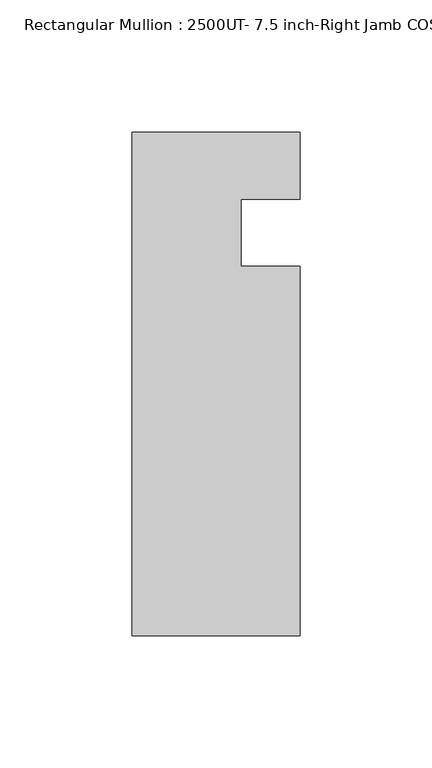
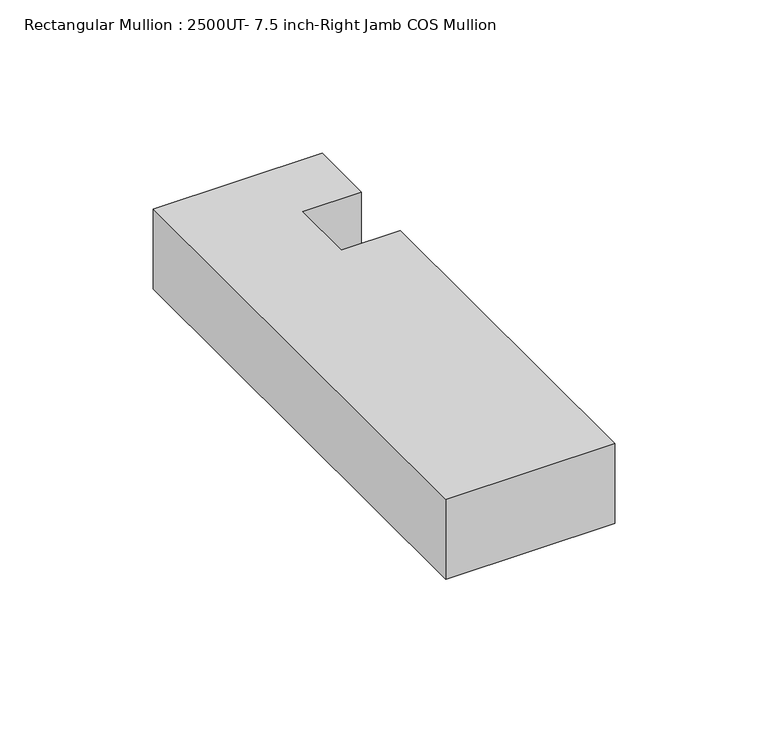
"""IFC4 building model written with IfcOpenShell, lengths in millimetres: member geometry, Rectangular Mullion : 2500UT- 7.5 inch-Right Jamb COS Mullion."""

import ifcopenshell
import ifcopenshell.guid

model = None  # the IFC model being written
_history = None  # IfcOwnerHistory: only IFC2X3 demands one
_inside = {}  # id of a spatial element -> (the spatial element, [elements in it])
_under = {}  # id of a project, library or spatial element -> (it, [spatial elements below it])
_declared = {}  # id of a project -> (the project, [libraries it declares])
_typed = {}  # id of a type object -> (the type object, [elements of that type])
_made_of = {}  # id of a material, layer set ... -> (it, [elements and type objects made of it])


def new_model(schema):
    """Start an empty IFC model of exactly this schema.

    Asked for "IFC4X3", IfcOpenShell would pick the latest addendum, in which some entities
    have other attributes; the version numbers below select the first issue.
    IFC2X3 requires an IfcOwnerHistory on every rooted entity: one is made here for all.
    """
    global model, _history
    if schema == "IFC4X3":
        model = ifcopenshell.file(schema_version=(4, 3, 0, 0))
    else:
        model = ifcopenshell.file(schema=schema)
    _inside.clear()
    _under.clear()
    _declared.clear()
    _typed.clear()
    _made_of.clear()
    _history = None
    if model.schema == "IFC2X3":
        org = make("IfcOrganization", Name="unknown")
        user = make(
            "IfcPersonAndOrganization",
            ThePerson=make("IfcPerson", FamilyName="unknown"),
            TheOrganization=org,
        )
        app = make(
            "IfcApplication",
            ApplicationDeveloper=org,
            Version="unknown",
            ApplicationFullName="unknown",
            ApplicationIdentifier="unknown",
        )
        _history = make(
            "IfcOwnerHistory",
            OwningUser=user,
            OwningApplication=app,
            ChangeAction="ADDED",
            CreationDate=0,
        )
    return model


def make(cls, **values):
    """One entity of the class cls with the attributes given. An attribute that is None is left unset."""
    return model.create_entity(
        cls, **{name: value for name, value in values.items() if value is not None}
    )


def rooted(cls, **values):
    """An entity with a GlobalId (a new one), such as an element, a storey or a relation."""
    return make(cls, GlobalId=ifcopenshell.guid.new(), OwnerHistory=_history, **values)


def si_unit(unit_type, name, prefix=None):
    """IfcSIUnit, for example si_unit("LENGTHUNIT", "METRE", prefix="MILLI")."""
    return make("IfcSIUnit", UnitType=unit_type, Prefix=prefix, Name=name)


def assignment(units):
    """IfcUnitAssignment: the units of a project."""
    return None if units is None else make("IfcUnitAssignment", Units=units)


def point(xyz):
    """IfcCartesianPoint."""
    return None if xyz is None else make("IfcCartesianPoint", Coordinates=xyz)


def direction(xyz):
    """IfcDirection."""
    return None if xyz is None else make("IfcDirection", DirectionRatios=xyz)


def frame(location, z_axis=None, x_axis=None):
    """IfcAxis2Placement3D, a coordinate frame: its origin and axes. An axis left out is left unset."""
    return make(
        "IfcAxis2Placement3D",
        Location=point(location),
        Axis=direction(z_axis),
        RefDirection=direction(x_axis),
    )


def origin():
    """The frame at (0, 0, 0) with its axes left unset."""
    return frame((0.0, 0.0, 0.0))


def place(relative_to, where):
    """IfcLocalPlacement: puts the frame where relative to a parent placement (None: the world)."""
    return make(
        "IfcLocalPlacement", PlacementRelTo=relative_to, RelativePlacement=where
    )


def context(
    kind, dimensions, precision=None, world=None, true_north=None, identifier=None
):
    """IfcGeometricRepresentationContext, for example the 3D "Model" context."""
    return make(
        "IfcGeometricRepresentationContext",
        ContextIdentifier=identifier,
        ContextType=kind,
        CoordinateSpaceDimension=dimensions,
        Precision=precision,
        WorldCoordinateSystem=world,
        TrueNorth=true_north,
    )


def project(units=None, contexts=None):
    """IfcProject with its units and contexts."""
    return rooted(
        "IfcProject",
        Name="project",
        RepresentationContexts=contexts,
        UnitsInContext=assignment(units),
    )


def spatial(cls, under=None, at=None, **own):
    """A site, building, storey or space (cls), placed at a placement, below another one or the project."""
    s = rooted(cls, ObjectPlacement=at, **own)
    if under is not None:
        _under.setdefault(under.id(), (under, []))[1].append(s)
    return s


def polyline(points):
    """IfcPolyline through the points."""
    return make("IfcPolyline", Points=[point(p) for p in points])


def outline(outer, holes=None, kind="AREA"):
    """IfcArbitraryClosedProfileDef: a profile drawn as a closed curve; with holes, ...WithVoids."""
    if holes is None:
        return make("IfcArbitraryClosedProfileDef", ProfileType=kind, OuterCurve=outer)
    return make(
        "IfcArbitraryProfileDefWithVoids",
        ProfileType=kind,
        OuterCurve=outer,
        InnerCurves=holes,
    )


def extrude(swept, where, along, depth):
    """IfcExtrudedAreaSolid: the profile swept, set in the frame where, extruded along a direction by depth."""
    return make(
        "IfcExtrudedAreaSolid",
        SweptArea=swept,
        Position=where,
        ExtrudedDirection=direction(along),
        Depth=depth,
    )


def shape(context_of_items, identifier, shape_type, items):
    """IfcShapeRepresentation: the items that make up one representation, for example the "Body"."""
    return make(
        "IfcShapeRepresentation",
        ContextOfItems=context_of_items,
        RepresentationIdentifier=identifier,
        RepresentationType=shape_type,
        Items=items,
    )


def source(mapping_origin, context_of_items, identifier, shape_type, items):
    """IfcRepresentationMap: a shape defined once, which mapped items show again and again."""
    return make(
        "IfcRepresentationMap",
        MappingOrigin=mapping_origin,
        MappedRepresentation=shape(context_of_items, identifier, shape_type, items),
    )


def transform(
    local_origin,
    x_axis=None,
    y_axis=None,
    z_axis=None,
    scale=None,
    scale2=None,
    scale3=None,
    uniform=True,
):
    """IfcCartesianTransformationOperator3D, or its non-uniform kind. x_axis, y_axis, z_axis: its Axis1, 2, 3."""
    if uniform:
        return make(
            "IfcCartesianTransformationOperator3D",
            Axis1=direction(x_axis),
            Axis2=direction(y_axis),
            LocalOrigin=point(local_origin),
            Scale=scale,
            Axis3=direction(z_axis),
        )
    return make(
        "IfcCartesianTransformationOperator3DnonUniform",
        Axis1=direction(x_axis),
        Axis2=direction(y_axis),
        LocalOrigin=point(local_origin),
        Scale=scale,
        Axis3=direction(z_axis),
        Scale2=scale2,
        Scale3=scale3,
    )


def mapped(mapping_source, mapping_target):
    """IfcMappedItem: shows the shape of a source again, moved by a transform."""
    return make(
        "IfcMappedItem", MappingSource=mapping_source, MappingTarget=mapping_target
    )


def made_of(thing, what):
    """Note that an element or type object is made of a material, layer set ...; save() writes the relation."""
    if what is not None:
        _made_of.setdefault(what.id(), (what, []))[1].append(thing)
    return thing


def element(
    cls,
    number,
    at=None,
    inside=None,
    cuts=None,
    type_object=None,
    material=None,
    context=None,
    identifier="Body",
    shape_type=None,
    held_by="IfcProductDefinitionShape",
    body=None,
    shapes=None,
    **own,
):
    """One element of the class cls, such as IfcWall. Its Tag is "e" and its number.

    at: its placement. inside: the storey or other place that contains it. cuts: it is an
    opening in that element (IfcRelVoidsElement). A single representation is given by context,
    identifier, shape_type and body (its items); several are given by shapes. held_by: the class
    of the entity that holds the representations. save() writes the other relations.
    """
    e = rooted(cls, Tag="e%d" % number, ObjectPlacement=at, **own)
    if body is not None:
        shapes = [shape(context, identifier, shape_type, body)]
    if shapes is not None:
        e.Representation = make(held_by, Representations=shapes)
    if inside is not None:
        _inside.setdefault(inside.id(), (inside, []))[1].append(e)
    if cuts is not None:
        rooted(
            "IfcRelVoidsElement", RelatingBuildingElement=cuts, RelatedOpeningElement=e
        )
    if type_object is not None:
        _typed.setdefault(type_object.id(), (type_object, []))[1].append(e)
    return made_of(e, material)


def aggregate(whole, parts):
    """IfcRelAggregates: a whole, such as a stair, and the parts it consists of."""
    return rooted("IfcRelAggregates", RelatingObject=whole, RelatedObjects=parts)


def save(model, path):
    """Write the relations noted so far, then the file.

    IfcRelAggregates (storeys below a building ...), IfcRelContainedInSpatialStructure (elements
    in a storey), IfcRelDefinesByType, IfcRelAssociatesMaterial and IfcRelDeclares: one each for
    every whole, place, type object, material and project.
    """
    for whole, parts in _under.values():
        aggregate(whole, parts)
    for where, things in _inside.values():
        rooted(
            "IfcRelContainedInSpatialStructure",
            RelatedElements=things,
            RelatingStructure=where,
        )
    for kind, things in _typed.values():
        rooted("IfcRelDefinesByType", RelatedObjects=things, RelatingType=kind)
    for what, things in _made_of.values():
        rooted("IfcRelAssociatesMaterial", RelatedObjects=things, RelatingMaterial=what)
    for by, libraries in _declared.values():
        rooted("IfcRelDeclares", RelatingContext=by, RelatedDefinitions=libraries)
    model.write(path)


def rectangular_mullion_2500ut_7_5_inch_right_jamb_cos_mullion_90d13f18(model_context):
    return source(origin(), model_context, "Body", "SweptSolid", [
        extrude(outline(polyline([(31.734125, -152.399995), (-31.765875, -152.399995), (-31.765875, 38.100005), (31.734125, 38.100005), (31.734125, 12.7260615), (9.509125, 12.7260615), (9.509125, -12.7), (31.734125, -12.7), (31.734125, -152.399995)])), frame((0.0, 0.0, -31.75), z_axis=(0.0, 0.0, 1.0), x_axis=(1.0, 0.0, 0.0)), (0.0, 0.0, 1.0), 31.75),
    ])


if __name__ == "__main__":
    model = new_model("IFC4")
    model_context = context("Model", 3, world=origin())
    ifc_project = project(units=[si_unit("LENGTHUNIT", "METRE", prefix="MILLI")], contexts=[model_context])
    site = spatial("IfcSite", under=ifc_project)
    building = spatial("IfcBuilding", under=site)
    placement = place(None, origin())
    rectangular_mullion_2500ut_7_5_inch_right_jamb_cos_mullion_shape = rectangular_mullion_2500ut_7_5_inch_right_jamb_cos_mullion_90d13f18(model_context)
    element("IfcMember", 1, ObjectType="Rectangular Mullion : 2500UT- 7.5 inch-Right Jamb COS Mullion", at=placement, inside=building, context=model_context, shape_type="MappedRepresentation", body=[
        mapped(rectangular_mullion_2500ut_7_5_inch_right_jamb_cos_mullion_shape, transform((0.0, 0.0, 0.0), x_axis=(1.0, 0.0, 0.0), y_axis=(0.0, 1.0, 0.0), z_axis=(0.0, 0.0, 1.0))),
    ])
    save(model, "model.ifc")
